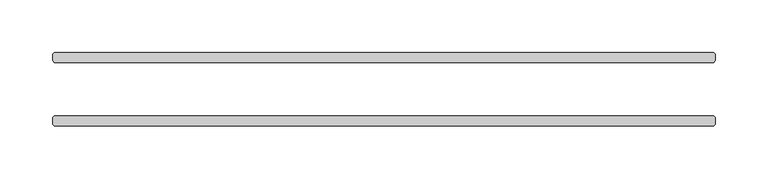
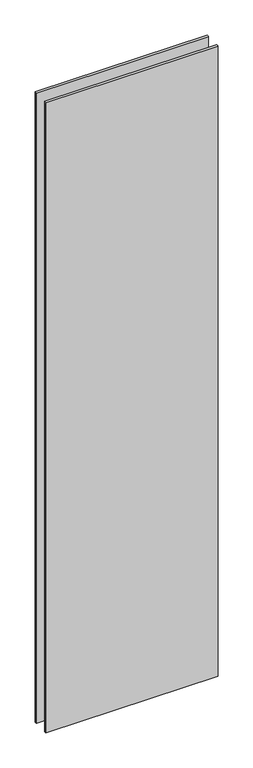
"""IFC4 building model written with IfcOpenShell, lengths in millimetres: plate geometry."""

from ifc_helpers import new_model, si_unit, origin, origin_with_axes, place, context, project, spatial, polyline, outline, extrude, source, transform, mapped, element, save


def plate_99467d22(model_context):
    return source(origin(), model_context, "Body", "SweptSolid", [
        extrude(outline(polyline([(313.134375, 25.4), (-313.134375, 25.4), (-314.721875, 26.9875), (-314.721875, 33.3375), (-313.134375, 34.925), (313.134375, 34.925), (314.721875, 33.3375), (314.721875, 26.9875), (313.134375, 25.4)])), origin_with_axes(), (0.0, 0.0, 1.0), 2428.7789267),
        extrude(outline(polyline([(313.134375, -34.925), (-313.134375, -34.925), (-314.721875, -33.3375), (-314.721875, -26.9875), (-313.134375, -25.4), (313.134375, -25.4), (314.721875, -26.9875), (314.721875, -33.3375), (313.134375, -34.925)])), origin_with_axes(), (0.0, 0.0, 1.0), 2428.7789267),
    ])


if __name__ == "__main__":
    model = new_model("IFC4")
    model_context = context("Model", 3, world=origin())
    ifc_project = project(units=[si_unit("LENGTHUNIT", "METRE", prefix="MILLI")], contexts=[model_context])
    site = spatial("IfcSite", under=ifc_project)
    building = spatial("IfcBuilding", under=site)
    placement = place(None, origin())
    plate_shape = plate_99467d22(model_context)
    element("IfcPlate", 1, at=placement, inside=building, context=model_context, shape_type="MappedRepresentation", body=[
        mapped(plate_shape, transform((0.0, 0.0, 0.0), x_axis=(1.0, 0.0, 0.0), y_axis=(0.0, 1.0, 0.0), z_axis=(0.0, 0.0, 1.0))),
    ])
    save(model, "model.ifc")
